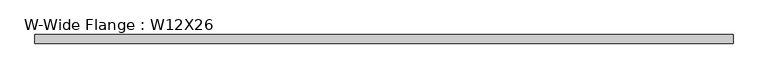
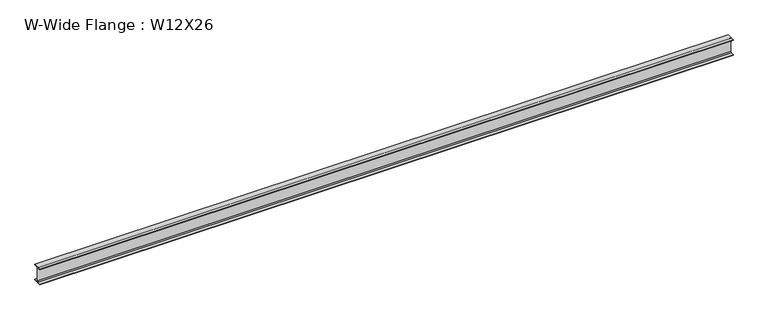
"""IFC4 building model written with IfcOpenShell, lengths in millimetres: beam geometry, W-Wide Flange : W12X26."""

from ifc_helpers import new_model, si_unit, point, frame, frame_2d, origin, place, context, project, spatial, polyline, circle_curve, trimmed, segment, composite_curve, outline, extrude, source, transform, mapped, element, save


def w_wide_flange_w12x26_f529d9da(model_context):
    return source(origin(), model_context, "Body", "SweptSolid", [
        extrude(outline(composite_curve([segment(polyline([(82.4011719, -145.5539063), (82.4011719, -155.178125), (-82.4011719, -155.178125), (-82.4011719, -145.5539063), (-20.2902344, -145.5539063)]), True, "CONTINUOUS"), segment(trimmed(circle_curve(frame_2d((-20.2902344, -128.190625)), 17.3632812), [point((-20.2902344, -145.5539063))], [point((-2.9269531, -128.190625))], True, "CARTESIAN"), True, "CONTINUOUS"), segment(polyline([(-2.9269531, -128.190625), (-2.9269531, 128.190625)]), True, "CONTINUOUS"), segment(trimmed(circle_curve(frame_2d((-20.2902344, 128.190625)), 17.3632812), [point((-2.9269531, 128.190625))], [point((-20.2902344, 145.5539062))], True, "CARTESIAN"), True, "CONTINUOUS"), segment(polyline([(-20.2902344, 145.5539062), (-82.4011719, 145.5539062), (-82.4011719, 155.178125), (82.4011719, 155.178125), (82.4011719, 145.5539062), (20.2902344, 145.5539062)]), True, "CONTINUOUS"), segment(trimmed(circle_curve(frame_2d((20.2902344, 128.190625)), 17.3632812), [point((20.2902344, 145.5539062))], [point((2.9269531, 128.190625))], True, "CARTESIAN"), True, "CONTINUOUS"), segment(polyline([(2.9269531, 128.190625), (2.9269531, -128.190625)]), True, "CONTINUOUS"), segment(trimmed(circle_curve(frame_2d((20.2902344, -128.190625)), 17.3632812), [point((2.9269531, -128.190625))], [point((20.2902344, -145.5539063))], True, "CARTESIAN"), True, "CONTINUOUS"), segment(polyline([(20.2902344, -145.5539063), (82.4011719, -145.5539063)]), True, "CONTINUOUS")], self_intersect=False)), frame((-6668.1371803, 0.0, 0.0), z_axis=(1.0, 0.0, 0.0), x_axis=(0.0, 1.0, 0.0)), (0.0, 0.0, 1.0), 13336.2743607),
    ])


if __name__ == "__main__":
    model = new_model("IFC4")
    model_context = context("Model", 3, world=origin())
    ifc_project = project(units=[si_unit("LENGTHUNIT", "METRE", prefix="MILLI")], contexts=[model_context])
    site = spatial("IfcSite", under=ifc_project)
    building = spatial("IfcBuilding", under=site)
    placement = place(None, origin())
    w_wide_flange_w12x26_shape = w_wide_flange_w12x26_f529d9da(model_context)
    element("IfcBeam", 1, ObjectType="W-Wide Flange : W12X26", at=placement, inside=building, context=model_context, shape_type="MappedRepresentation", body=[
        mapped(w_wide_flange_w12x26_shape, transform((0.0, 0.0, 0.0), x_axis=(1.0, 0.0, 0.0), y_axis=(0.0, 1.0, 0.0), z_axis=(0.0, 0.0, 1.0))),
    ])
    save(model, "model.ifc")
